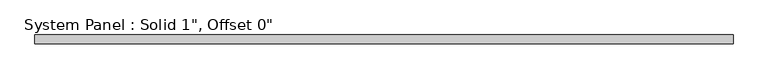
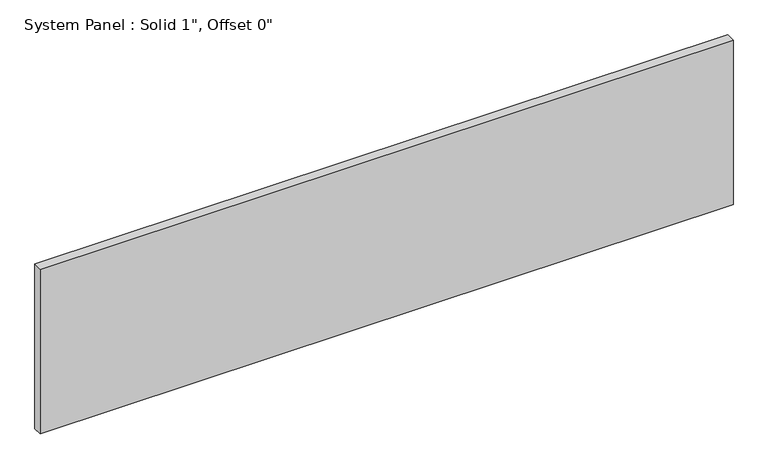
"""IFC4 building model written with IfcOpenShell, lengths in millimetres: plate geometry."""

from ifc_helpers import new_model, si_unit, origin, origin_with_axes, place, context, project, spatial, polyline, outline, extrude, source, transform, mapped, element, save


def plate_599ca07c(model_context):
    return source(origin(), model_context, "Body", "SweptSolid", [
        extrude(outline(polyline([(990.6, -12.7), (-990.6, -12.7), (-990.6, 12.7), (990.6, 12.7), (990.6, -12.7)])), origin_with_axes(), (0.0, 0.0, 1.0), 497.8580385),
    ])


if __name__ == "__main__":
    model = new_model("IFC4")
    model_context = context("Model", 3, world=origin())
    ifc_project = project(units=[si_unit("LENGTHUNIT", "METRE", prefix="MILLI")], contexts=[model_context])
    site = spatial("IfcSite", under=ifc_project)
    building = spatial("IfcBuilding", under=site)
    placement = place(None, origin())
    plate_shape = plate_599ca07c(model_context)
    element("IfcPlate", 1, ObjectType="System Panel : Solid 1\", Offset 0\"", at=placement, inside=building, context=model_context, shape_type="MappedRepresentation", body=[
        mapped(plate_shape, transform((0.0, 0.0, 0.0), x_axis=(1.0, 0.0, 0.0), y_axis=(0.0, 1.0, 0.0), z_axis=(0.0, 0.0, 1.0))),
    ])
    save(model, "model.ifc")
